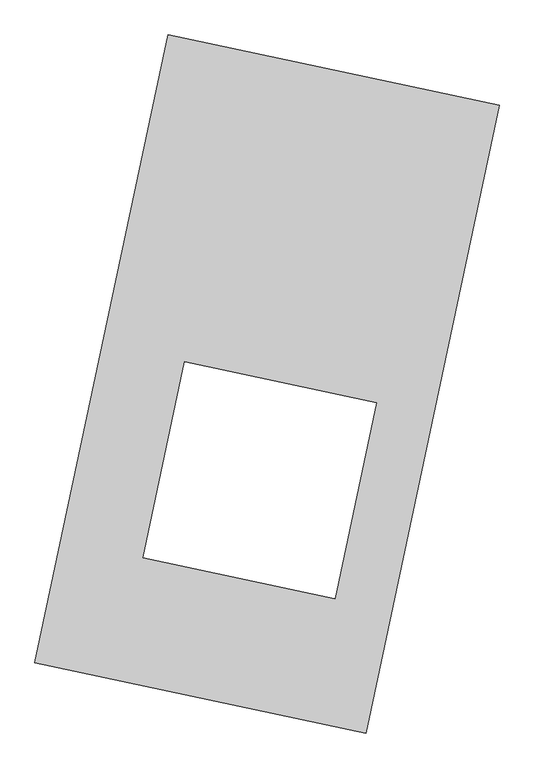
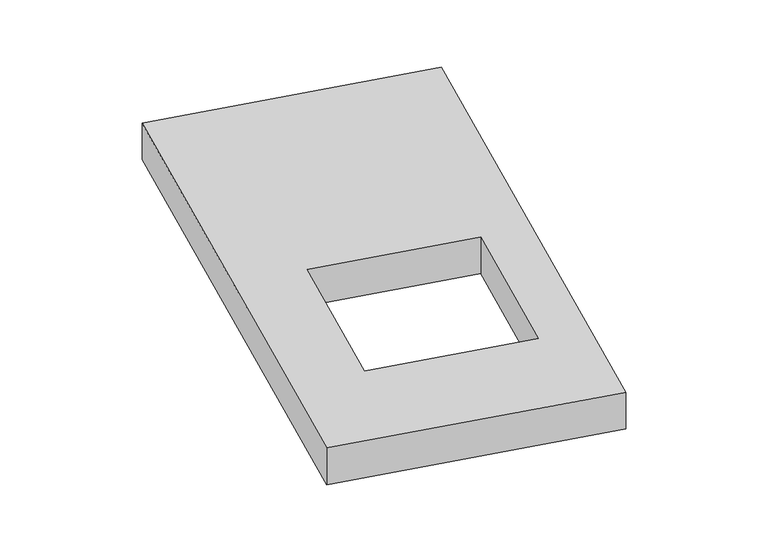
"""IFC4 building model written with IfcOpenShell, lengths in millimetres: proxy geometry."""

from ifc_helpers import new_model, si_unit, origin, origin_with_axes, place, context, project, spatial, polyline, outline, extrude, source, transform, mapped, element, save


def generic_models_73630fee(model_context):
    return source(origin(), model_context, "Body", "SweptSolid", [
        extrude(outline(polyline([(-617.3692021, 2175.5580432), (1447.7508745, 1737.3010494), (617.3692021, -2175.5580432), (-1447.7508745, -1737.3010494), (-617.3692021, 2175.5580432)]), holes=[polyline([(682.2669461, -116.0394761), (-513.9173583, 137.8131416), (-773.1196155, -1083.5793127), (423.0646889, -1337.4319304), (682.2669461, -116.0394761)])]), origin_with_axes(), (0.0, 0.0, 1.0), 300.0),
    ])


if __name__ == "__main__":
    model = new_model("IFC4")
    model_context = context("Model", 3, world=origin())
    ifc_project = project(units=[si_unit("LENGTHUNIT", "METRE", prefix="MILLI")], contexts=[model_context])
    site = spatial("IfcSite", under=ifc_project)
    building = spatial("IfcBuilding", under=site)
    placement = place(None, origin())
    generic_models_shape = generic_models_73630fee(model_context)
    element("IfcBuildingElementProxy", 1, Name="Generic Models", at=placement, inside=building, context=model_context, shape_type="MappedRepresentation", body=[
        mapped(generic_models_shape, transform((0.0, 0.0, 0.0), x_axis=(1.0, 0.0, 0.0), y_axis=(0.0, 1.0, 0.0), z_axis=(0.0, 0.0, 1.0))),
    ])
    save(model, "model.ifc")
